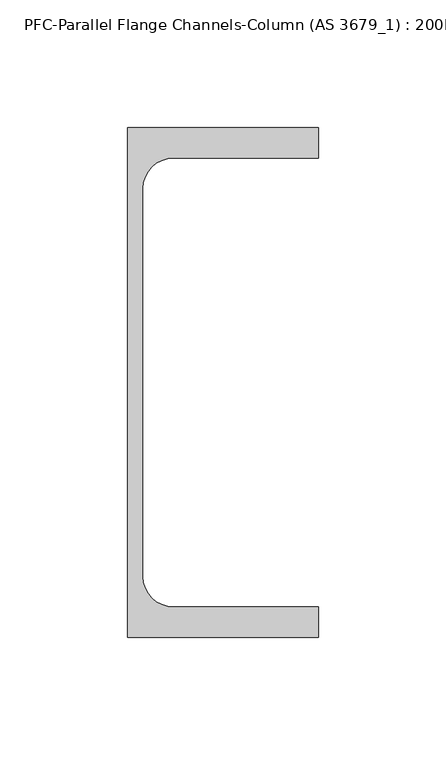
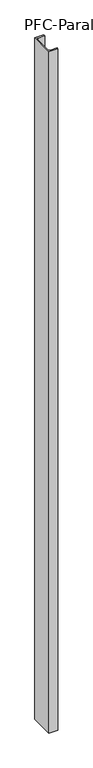
"""IFC4 building model written with IfcOpenShell, lengths in millimetres: column geometry, PFC-Parallel Flange Channels-Column (AS 3679_1) : 200PFC."""

from ifc_helpers import new_model, si_unit, point, frame_2d, origin, origin_with_axes, place, context, project, spatial, polyline, circle_curve, trimmed, segment, composite_curve, outline, extrude, source, transform, mapped, element, save


def pfc_parallel_flange_channels_column_as_3679_1_200pfc_e75b1752(model_context):
    return source(origin(), model_context, "Body", "SweptSolid", [
        extrude(outline(composite_curve([segment(polyline([(50.6, -100.0), (-24.4, -100.0), (-24.4, 100.0), (50.6, 100.0), (50.6, 88.0), (-6.4, 88.0)]), True, "CONTINUOUS"), segment(trimmed(circle_curve(frame_2d((-6.4, 76.0)), 12.0), [point((-6.4, 88.0))], [point((-18.4, 76.0))], True, "CARTESIAN"), True, "CONTINUOUS"), segment(polyline([(-18.4, 76.0), (-18.4, -76.0)]), True, "CONTINUOUS"), segment(trimmed(circle_curve(frame_2d((-6.4, -76.0)), 12.0), [point((-18.4, -76.0))], [point((-6.4, -88.0))], True, "CARTESIAN"), True, "CONTINUOUS"), segment(polyline([(-6.4, -88.0), (50.6, -88.0), (50.6, -100.0)]), True, "CONTINUOUS")], self_intersect=False)), origin_with_axes(), (0.0, 0.0, 1.0), 5950.0),
    ])


if __name__ == "__main__":
    model = new_model("IFC4")
    model_context = context("Model", 3, world=origin())
    ifc_project = project(units=[si_unit("LENGTHUNIT", "METRE", prefix="MILLI")], contexts=[model_context])
    site = spatial("IfcSite", under=ifc_project)
    building = spatial("IfcBuilding", under=site)
    placement = place(None, origin())
    pfc_parallel_flange_channels_column_as_3679_1_200pfc_shape = pfc_parallel_flange_channels_column_as_3679_1_200pfc_e75b1752(model_context)
    element("IfcColumn", 1, ObjectType="PFC-Parallel Flange Channels-Column (AS 3679_1) : 200PFC", at=placement, inside=building, context=model_context, shape_type="MappedRepresentation", body=[
        mapped(pfc_parallel_flange_channels_column_as_3679_1_200pfc_shape, transform((0.0, 0.0, 0.0), x_axis=(1.0, 0.0, 0.0), y_axis=(0.0, 1.0, 0.0), z_axis=(0.0, 0.0, 1.0))),
    ])
    save(model, "model.ifc")
